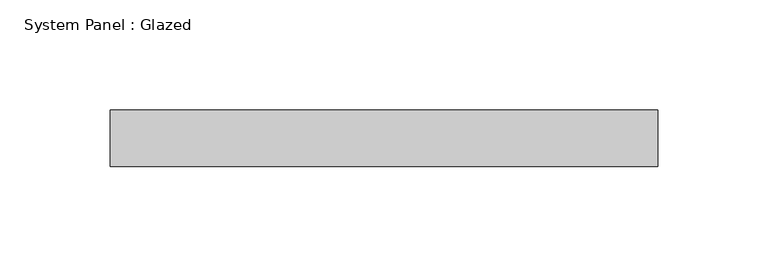
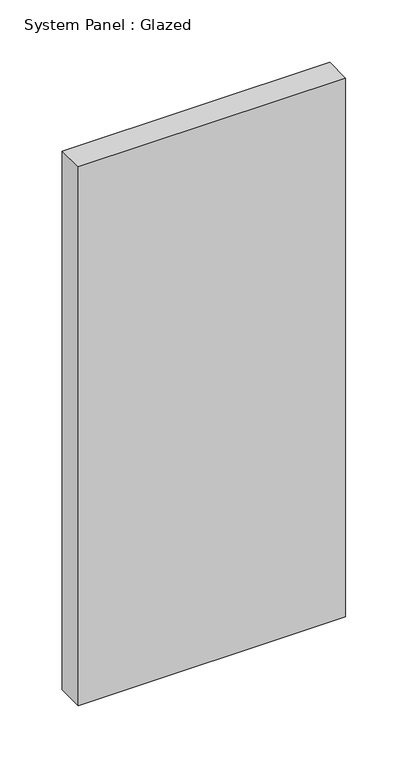
"""IFC4 building model written with IfcOpenShell, lengths in millimetres: plate geometry, System Panel : Glazed."""

from ifc_helpers import new_model, si_unit, origin, origin_with_axes, place, context, project, spatial, polyline, outline, extrude, source, transform, mapped, element, save


def system_panel_glazed_cbc480c0(model_context):
    return source(origin(), model_context, "Body", "SweptSolid", [
        extrude(outline(polyline([(123.825, 19.05), (-123.825, 19.05), (-123.825, 44.45), (123.825, 44.45), (123.825, 19.05)])), origin_with_axes(), (0.0, 0.0, 1.0), 527.05),
    ])


if __name__ == "__main__":
    model = new_model("IFC4")
    model_context = context("Model", 3, world=origin())
    ifc_project = project(units=[si_unit("LENGTHUNIT", "METRE", prefix="MILLI")], contexts=[model_context])
    site = spatial("IfcSite", under=ifc_project)
    building = spatial("IfcBuilding", under=site)
    placement = place(None, origin())
    system_panel_glazed_shape = system_panel_glazed_cbc480c0(model_context)
    element("IfcPlate", 1, ObjectType="System Panel : Glazed", at=placement, inside=building, context=model_context, shape_type="MappedRepresentation", body=[
        mapped(system_panel_glazed_shape, transform((0.0, 0.0, 0.0), x_axis=(1.0, 0.0, 0.0), y_axis=(0.0, 1.0, 0.0), z_axis=(0.0, 0.0, 1.0))),
    ])
    save(model, "model.ifc")
